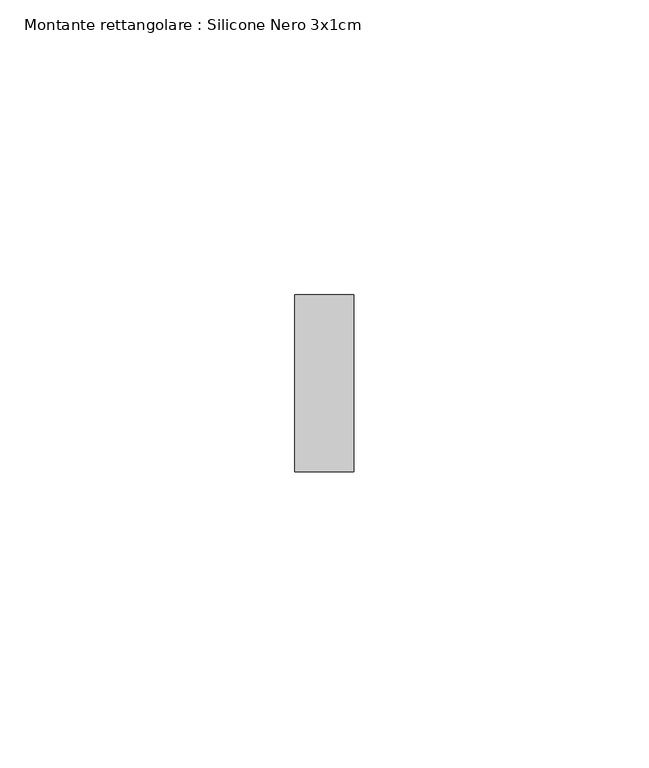
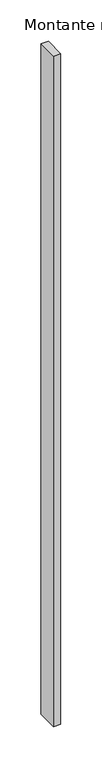
"""IFC4 building model written with IfcOpenShell, lengths in millimetres: member geometry, Montante rettangolare : Silicone Nero 3x1cm."""

from ifc_helpers import new_model, si_unit, frame, origin, place, context, project, spatial, polyline, outline, extrude, source, transform, mapped, element, save


def montante_rettangolare_silicone_nero_3x1cm_730b9e2a(model_context):
    return source(origin(), model_context, "Body", "SweptSolid", [
        extrude(outline(polyline([(0.0, 30.0), (0.0, 0.0), (-10.0, 0.0), (-10.0, 30.0), (0.0, 30.0)])), frame((0.0, 0.0, -990.0), z_axis=(0.0, 0.0, 1.0), x_axis=(1.0, 0.0, 0.0)), (0.0, 0.0, 1.0), 990.0),
    ])


if __name__ == "__main__":
    model = new_model("IFC4")
    model_context = context("Model", 3, world=origin())
    ifc_project = project(units=[si_unit("LENGTHUNIT", "METRE", prefix="MILLI")], contexts=[model_context])
    site = spatial("IfcSite", under=ifc_project)
    building = spatial("IfcBuilding", under=site)
    placement = place(None, origin())
    montante_rettangolare_silicone_nero_3x1cm_shape = montante_rettangolare_silicone_nero_3x1cm_730b9e2a(model_context)
    element("IfcMember", 1, ObjectType="Montante rettangolare : Silicone Nero 3x1cm", at=placement, inside=building, context=model_context, shape_type="MappedRepresentation", body=[
        mapped(montante_rettangolare_silicone_nero_3x1cm_shape, transform((0.0, 0.0, 0.0), x_axis=(1.0, 0.0, 0.0), y_axis=(0.0, 1.0, 0.0), z_axis=(0.0, 0.0, 1.0))),
    ])
    save(model, "model.ifc")
